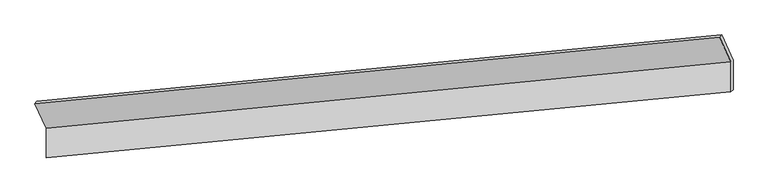
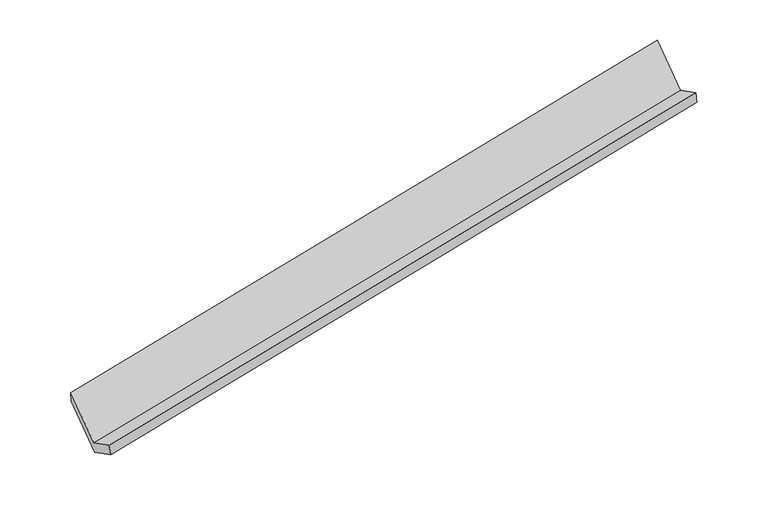
"""IFC4 building model written with IfcOpenShell, lengths in millimetres: proxy geometry."""

from ifc_helpers import new_model, si_unit, origin, place, context, project, spatial, faceted_brep, source, transform, mapped, element, save


def generic_models_b95f64ec(model_context):
    return source(origin(), model_context, "Body", "Brep", [
        faceted_brep([(-7484.1473755, -1948.1206573, 840.1604093), (-7484.2275345, -2351.1885523, 1049.1820842), (1834.2072146, -1449.2683849, 2824.5608548), (1834.2873736, -1046.2004899, 2615.5391799), (-7454.1307845, -2326.8810958, 874.0730414), (1864.3039646, -1424.9609284, 2649.451812), (-7454.0501568, -1921.4564028, 663.8291857), (1864.3845923, -1019.5362354, 2439.2079563), (-7608.8286222, -1579.6943714, 1322.8081924), (1709.6061269, -677.774204, 3098.186963), (-7636.0353549, -1612.7410278, 1486.832991), (1682.3993942, -710.8208604, 3262.2117616)], [[[0, 1, 2, 3]], [[1, 4, 5, 2]], [[4, 6, 7, 5]], [[6, 8, 9, 7]], [[8, 10, 11, 9]], [[10, 0, 3, 11]], [[9, 11, 3, 2, 5, 7]], [[0, 10, 8, 6, 4, 1]]]),
    ])


if __name__ == "__main__":
    model = new_model("IFC4")
    model_context = context("Model", 3, world=origin())
    ifc_project = project(units=[si_unit("LENGTHUNIT", "METRE", prefix="MILLI")], contexts=[model_context])
    site = spatial("IfcSite", under=ifc_project)
    building = spatial("IfcBuilding", under=site)
    placement = place(None, origin())
    generic_models_shape = generic_models_b95f64ec(model_context)
    element("IfcBuildingElementProxy", 1, Name="Generic Models", at=placement, inside=building, context=model_context, shape_type="MappedRepresentation", body=[
        mapped(generic_models_shape, transform((0.0, 0.0, 0.0), x_axis=(1.0, 0.0, 0.0), y_axis=(0.0, 1.0, 0.0), z_axis=(0.0, 0.0, 1.0))),
    ])
    save(model, "model.ifc")
